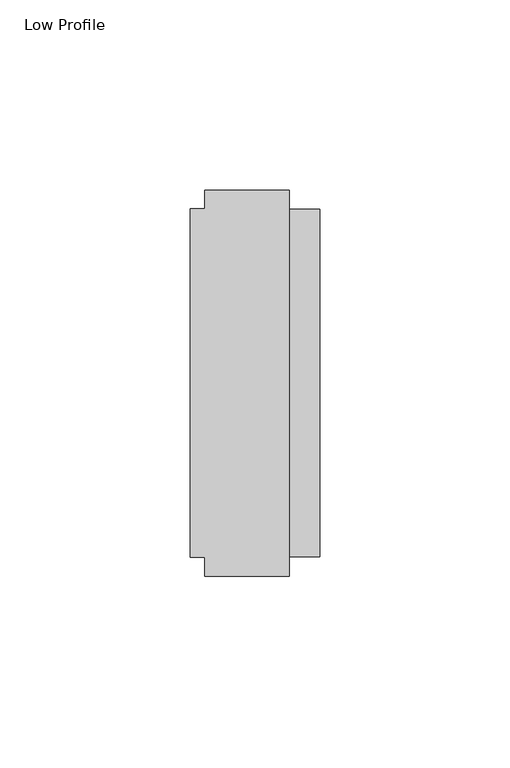
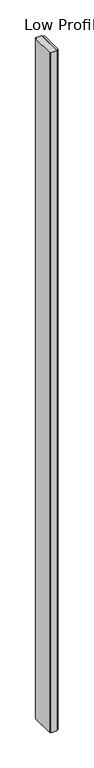
"""IFC4 building model written with IfcOpenShell, lengths in millimetres: furniture geometry, Low Profile."""

import ifcopenshell
import ifcopenshell.guid

model = None  # the IFC model being written
_history = None  # IfcOwnerHistory: only IFC2X3 demands one
_inside = {}  # id of a spatial element -> (the spatial element, [elements in it])
_under = {}  # id of a project, library or spatial element -> (it, [spatial elements below it])
_declared = {}  # id of a project -> (the project, [libraries it declares])
_typed = {}  # id of a type object -> (the type object, [elements of that type])
_made_of = {}  # id of a material, layer set ... -> (it, [elements and type objects made of it])


def new_model(schema):
    """Start an empty IFC model of exactly this schema.

    Asked for "IFC4X3", IfcOpenShell would pick the latest addendum, in which some entities
    have other attributes; the version numbers below select the first issue.
    IFC2X3 requires an IfcOwnerHistory on every rooted entity: one is made here for all.
    """
    global model, _history
    if schema == "IFC4X3":
        model = ifcopenshell.file(schema_version=(4, 3, 0, 0))
    else:
        model = ifcopenshell.file(schema=schema)
    _inside.clear()
    _under.clear()
    _declared.clear()
    _typed.clear()
    _made_of.clear()
    _history = None
    if model.schema == "IFC2X3":
        org = make("IfcOrganization", Name="unknown")
        user = make(
            "IfcPersonAndOrganization",
            ThePerson=make("IfcPerson", FamilyName="unknown"),
            TheOrganization=org,
        )
        app = make(
            "IfcApplication",
            ApplicationDeveloper=org,
            Version="unknown",
            ApplicationFullName="unknown",
            ApplicationIdentifier="unknown",
        )
        _history = make(
            "IfcOwnerHistory",
            OwningUser=user,
            OwningApplication=app,
            ChangeAction="ADDED",
            CreationDate=0,
        )
    return model


def make(cls, **values):
    """One entity of the class cls with the attributes given. An attribute that is None is left unset."""
    return model.create_entity(
        cls, **{name: value for name, value in values.items() if value is not None}
    )


def rooted(cls, **values):
    """An entity with a GlobalId (a new one), such as an element, a storey or a relation."""
    return make(cls, GlobalId=ifcopenshell.guid.new(), OwnerHistory=_history, **values)


def si_unit(unit_type, name, prefix=None):
    """IfcSIUnit, for example si_unit("LENGTHUNIT", "METRE", prefix="MILLI")."""
    return make("IfcSIUnit", UnitType=unit_type, Prefix=prefix, Name=name)


def assignment(units):
    """IfcUnitAssignment: the units of a project."""
    return None if units is None else make("IfcUnitAssignment", Units=units)


def point(xyz):
    """IfcCartesianPoint."""
    return None if xyz is None else make("IfcCartesianPoint", Coordinates=xyz)


def direction(xyz):
    """IfcDirection."""
    return None if xyz is None else make("IfcDirection", DirectionRatios=xyz)


def frame(location, z_axis=None, x_axis=None):
    """IfcAxis2Placement3D, a coordinate frame: its origin and axes. An axis left out is left unset."""
    return make(
        "IfcAxis2Placement3D",
        Location=point(location),
        Axis=direction(z_axis),
        RefDirection=direction(x_axis),
    )


def origin():
    """The frame at (0, 0, 0) with its axes left unset."""
    return frame((0.0, 0.0, 0.0))


def origin_with_axes():
    """The frame at (0, 0, 0) with the z axis (0, 0, 1) and the x axis (1, 0, 0) written out."""
    return frame((0.0, 0.0, 0.0), z_axis=(0.0, 0.0, 1.0), x_axis=(1.0, 0.0, 0.0))


def place(relative_to, where):
    """IfcLocalPlacement: puts the frame where relative to a parent placement (None: the world)."""
    return make(
        "IfcLocalPlacement", PlacementRelTo=relative_to, RelativePlacement=where
    )


def context(
    kind, dimensions, precision=None, world=None, true_north=None, identifier=None
):
    """IfcGeometricRepresentationContext, for example the 3D "Model" context."""
    return make(
        "IfcGeometricRepresentationContext",
        ContextIdentifier=identifier,
        ContextType=kind,
        CoordinateSpaceDimension=dimensions,
        Precision=precision,
        WorldCoordinateSystem=world,
        TrueNorth=true_north,
    )


def project(units=None, contexts=None):
    """IfcProject with its units and contexts."""
    return rooted(
        "IfcProject",
        Name="project",
        RepresentationContexts=contexts,
        UnitsInContext=assignment(units),
    )


def spatial(cls, under=None, at=None, **own):
    """A site, building, storey or space (cls), placed at a placement, below another one or the project."""
    s = rooted(cls, ObjectPlacement=at, **own)
    if under is not None:
        _under.setdefault(under.id(), (under, []))[1].append(s)
    return s


def polyline(points):
    """IfcPolyline through the points."""
    return make("IfcPolyline", Points=[point(p) for p in points])


def outline(outer, holes=None, kind="AREA"):
    """IfcArbitraryClosedProfileDef: a profile drawn as a closed curve; with holes, ...WithVoids."""
    if holes is None:
        return make("IfcArbitraryClosedProfileDef", ProfileType=kind, OuterCurve=outer)
    return make(
        "IfcArbitraryProfileDefWithVoids",
        ProfileType=kind,
        OuterCurve=outer,
        InnerCurves=holes,
    )


def extrude(swept, where, along, depth):
    """IfcExtrudedAreaSolid: the profile swept, set in the frame where, extruded along a direction by depth."""
    return make(
        "IfcExtrudedAreaSolid",
        SweptArea=swept,
        Position=where,
        ExtrudedDirection=direction(along),
        Depth=depth,
    )


def shape(context_of_items, identifier, shape_type, items):
    """IfcShapeRepresentation: the items that make up one representation, for example the "Body"."""
    return make(
        "IfcShapeRepresentation",
        ContextOfItems=context_of_items,
        RepresentationIdentifier=identifier,
        RepresentationType=shape_type,
        Items=items,
    )


def source(mapping_origin, context_of_items, identifier, shape_type, items):
    """IfcRepresentationMap: a shape defined once, which mapped items show again and again."""
    return make(
        "IfcRepresentationMap",
        MappingOrigin=mapping_origin,
        MappedRepresentation=shape(context_of_items, identifier, shape_type, items),
    )


def transform(
    local_origin,
    x_axis=None,
    y_axis=None,
    z_axis=None,
    scale=None,
    scale2=None,
    scale3=None,
    uniform=True,
):
    """IfcCartesianTransformationOperator3D, or its non-uniform kind. x_axis, y_axis, z_axis: its Axis1, 2, 3."""
    if uniform:
        return make(
            "IfcCartesianTransformationOperator3D",
            Axis1=direction(x_axis),
            Axis2=direction(y_axis),
            LocalOrigin=point(local_origin),
            Scale=scale,
            Axis3=direction(z_axis),
        )
    return make(
        "IfcCartesianTransformationOperator3DnonUniform",
        Axis1=direction(x_axis),
        Axis2=direction(y_axis),
        LocalOrigin=point(local_origin),
        Scale=scale,
        Axis3=direction(z_axis),
        Scale2=scale2,
        Scale3=scale3,
    )


def mapped(mapping_source, mapping_target):
    """IfcMappedItem: shows the shape of a source again, moved by a transform."""
    return make(
        "IfcMappedItem", MappingSource=mapping_source, MappingTarget=mapping_target
    )


def made_of(thing, what):
    """Note that an element or type object is made of a material, layer set ...; save() writes the relation."""
    if what is not None:
        _made_of.setdefault(what.id(), (what, []))[1].append(thing)
    return thing


def element(
    cls,
    number,
    at=None,
    inside=None,
    cuts=None,
    type_object=None,
    material=None,
    context=None,
    identifier="Body",
    shape_type=None,
    held_by="IfcProductDefinitionShape",
    body=None,
    shapes=None,
    **own,
):
    """One element of the class cls, such as IfcWall. Its Tag is "e" and its number.

    at: its placement. inside: the storey or other place that contains it. cuts: it is an
    opening in that element (IfcRelVoidsElement). A single representation is given by context,
    identifier, shape_type and body (its items); several are given by shapes. held_by: the class
    of the entity that holds the representations. save() writes the other relations.
    """
    e = rooted(cls, Tag="e%d" % number, ObjectPlacement=at, **own)
    if body is not None:
        shapes = [shape(context, identifier, shape_type, body)]
    if shapes is not None:
        e.Representation = make(held_by, Representations=shapes)
    if inside is not None:
        _inside.setdefault(inside.id(), (inside, []))[1].append(e)
    if cuts is not None:
        rooted(
            "IfcRelVoidsElement", RelatingBuildingElement=cuts, RelatedOpeningElement=e
        )
    if type_object is not None:
        _typed.setdefault(type_object.id(), (type_object, []))[1].append(e)
    return made_of(e, material)


def aggregate(whole, parts):
    """IfcRelAggregates: a whole, such as a stair, and the parts it consists of."""
    return rooted("IfcRelAggregates", RelatingObject=whole, RelatedObjects=parts)


def save(model, path):
    """Write the relations noted so far, then the file.

    IfcRelAggregates (storeys below a building ...), IfcRelContainedInSpatialStructure (elements
    in a storey), IfcRelDefinesByType, IfcRelAssociatesMaterial and IfcRelDeclares: one each for
    every whole, place, type object, material and project.
    """
    for whole, parts in _under.values():
        aggregate(whole, parts)
    for where, things in _inside.values():
        rooted(
            "IfcRelContainedInSpatialStructure",
            RelatedElements=things,
            RelatingStructure=where,
        )
    for kind, things in _typed.values():
        rooted("IfcRelDefinesByType", RelatedObjects=things, RelatingType=kind)
    for what, things in _made_of.values():
        rooted("IfcRelAssociatesMaterial", RelatedObjects=things, RelatingMaterial=what)
    for by, libraries in _declared.values():
        rooted("IfcRelDeclares", RelatingContext=by, RelatedDefinitions=libraries)
    model.write(path)


def low_profile_008ca932(model_context):
    return source(origin(), model_context, "Body", "SweptSolid", [
        extrude(outline(polyline([(29.9771531, 61.348805), (29.9771531, 66.301805), (52.2021531, 66.301805), (52.2021531, -35.298195), (29.9771531, -35.298195), (29.9771531, -30.345195), (26.0401531, -30.345195), (26.0401531, 61.348805), (29.9771531, 61.348805)])), origin_with_axes(), (0.0, 0.0, 1.0), 2743.2),
        extrude(outline(polyline([(60.2031531, 61.221805), (60.2031531, -30.218195), (52.2021531, -30.218195), (52.2021531, 61.221805), (60.2031531, 61.221805)])), origin_with_axes(), (0.0, 0.0, 1.0), 2743.2),
    ])


if __name__ == "__main__":
    model = new_model("IFC4")
    model_context = context("Model", 3, world=origin())
    ifc_project = project(units=[si_unit("LENGTHUNIT", "METRE", prefix="MILLI")], contexts=[model_context])
    site = spatial("IfcSite", under=ifc_project)
    building = spatial("IfcBuilding", under=site)
    placement = place(None, origin())
    low_profile_shape = low_profile_008ca932(model_context)
    element("IfcFurniture", 1, ObjectType="Low Profile", at=placement, inside=building, context=model_context, shape_type="MappedRepresentation", body=[
        mapped(low_profile_shape, transform((0.0, 0.0, 0.0), x_axis=(1.0, 0.0, 0.0), y_axis=(0.0, 1.0, 0.0), z_axis=(0.0, 0.0, 1.0))),
    ])
    save(model, "model.ifc")
